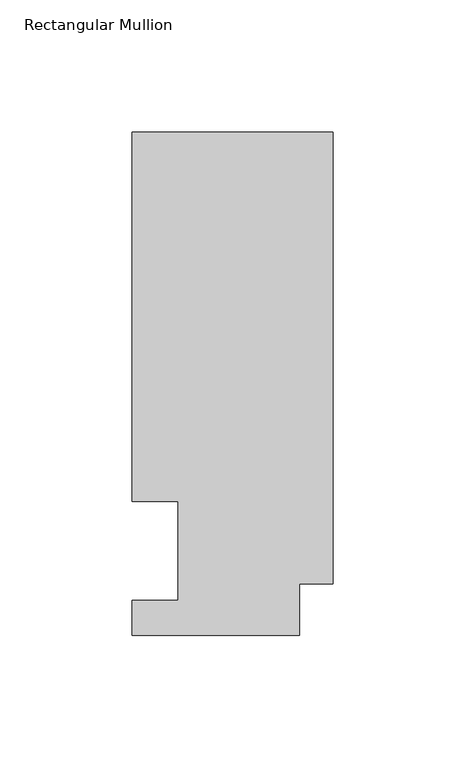
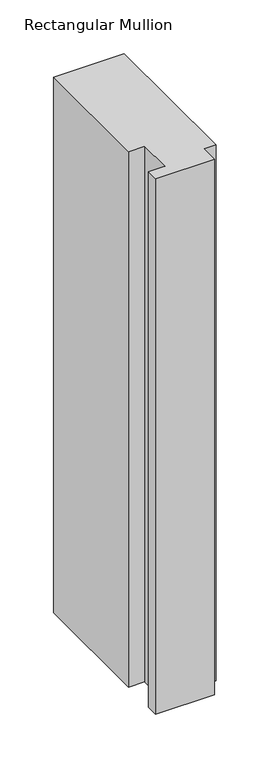
"""IFC4 building model written with IfcOpenShell, lengths in millimetres: member geometry, Rectangular Mullion."""

from ifc_helpers import new_model, si_unit, frame, origin, place, context, project, spatial, polyline, outline, extrude, source, transform, mapped, element, save


def rectangular_mullion_69f24ef3(model_context):
    return source(origin(), model_context, "Body", "SweptSolid", [
        extrude(outline(polyline([(0.0, 190.7881313), (0.0, 19.5667313), (-12.6999999, 19.5667313), (-12.6999999, 0.041758), (-76.1999999, 0.041758), (-76.1999999, 13.224358), (-58.7677108, 13.224358), (-58.7677108, 50.820278), (-76.2, 50.820278), (-76.2, 190.7881313), (0.0, 190.7881313)])), frame((0.0, 0.0, -609.6), z_axis=(0.0, 0.0, 1.0), x_axis=(1.0, 0.0, 0.0)), (0.0, 0.0, 1.0), 609.6),
    ])


if __name__ == "__main__":
    model = new_model("IFC4")
    model_context = context("Model", 3, world=origin())
    ifc_project = project(units=[si_unit("LENGTHUNIT", "METRE", prefix="MILLI")], contexts=[model_context])
    site = spatial("IfcSite", under=ifc_project)
    building = spatial("IfcBuilding", under=site)
    placement = place(None, origin())
    rectangular_mullion_shape = rectangular_mullion_69f24ef3(model_context)
    element("IfcMember", 1, ObjectType="Rectangular Mullion", at=placement, inside=building, context=model_context, shape_type="MappedRepresentation", body=[
        mapped(rectangular_mullion_shape, transform((0.0, 0.0, 0.0), x_axis=(1.0, 0.0, 0.0), y_axis=(0.0, 1.0, 0.0), z_axis=(0.0, 0.0, 1.0))),
    ])
    save(model, "model.ifc")
